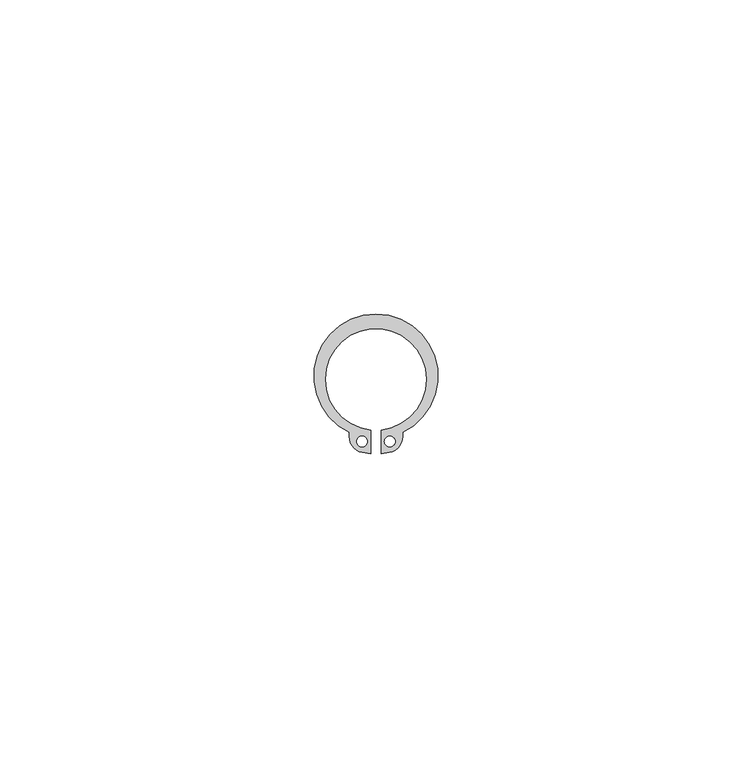
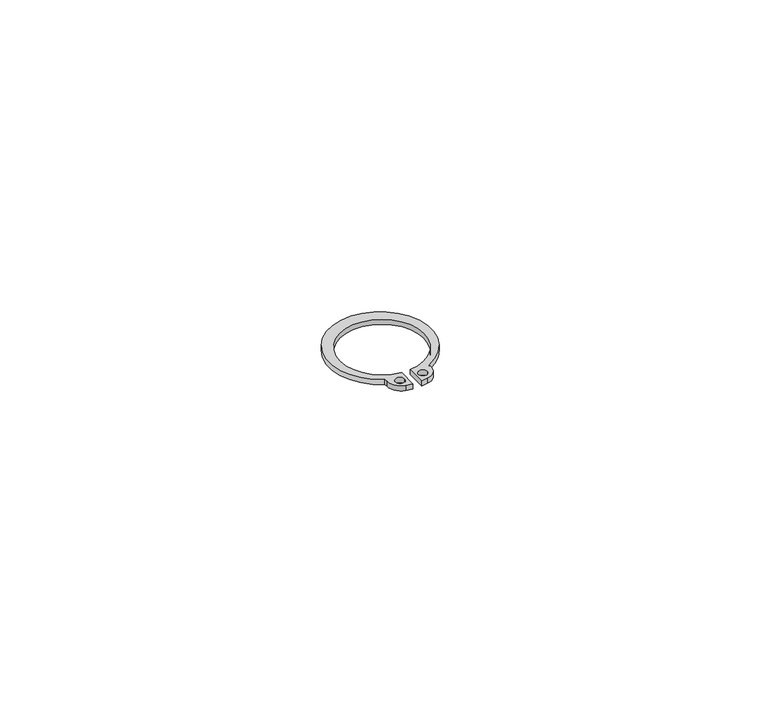
"""IFC4 building model written with IfcOpenShell, lengths in millimetres: proxy geometry."""

from ifc_helpers import new_model, si_unit, point, frame_2d, origin, origin_with_axes, origin_2d, place, context, project, spatial, polyline, circle_curve, trimmed, segment, composite_curve, outline, extrude, source, transform, mapped, element, save


def generic_models_4dbe1b5d(model_context):
    return source(origin(), model_context, "Body", "SweptSolid", [
        extrude(outline(composite_curve([segment(trimmed(circle_curve(frame_2d((1.7, -9.116062)), 2.55), [point((4.25, -9.116062))], [point((2.1428029, -11.6273217))], False, "CARTESIAN"), True, "CONTINUOUS"), segment(polyline([(2.1428029, -11.6273217), (0.85, -11.8552778), (0.85, -8.0552778)]), True, "CONTINUOUS"), segment(trimmed(circle_curve(origin_2d(), 8.1), [point((0.85, -8.0552778))], [point((-0.85, -8.0552778))], True, "CARTESIAN"), True, "CONTINUOUS"), segment(polyline([(-0.85, -8.0552778), (-0.85, -11.8552778), (-2.1428029, -11.6273217)]), True, "CONTINUOUS"), segment(trimmed(circle_curve(frame_2d((-1.7, -9.116062)), 2.55), [point((-2.1428029, -11.6273217))], [point((-4.25, -9.116062))], False, "CARTESIAN"), True, "CONTINUOUS"), segment(polyline([(-4.25, -9.116062), (-4.25, -8.4062128)]), True, "CONTINUOUS"), segment(trimmed(circle_curve(frame_2d((0.0, 0.5166667)), 9.8833333), [point((-4.25, -8.4062128))], [point((4.25, -8.4062128))], False, "CARTESIAN"), True, "CONTINUOUS"), segment(polyline([(4.25, -8.4062128), (4.25, -9.116062)]), True, "CONTINUOUS")], self_intersect=False), holes=[composite_curve([segment(trimmed(circle_curve(frame_2d((2.21, -9.8790936)), 0.85), [point((1.36, -9.8790936))], [point((3.06, -9.8790936))], True, "CARTESIAN"), True, "CONTINUOUS"), segment(trimmed(circle_curve(frame_2d((2.21, -9.8790936)), 0.85), [point((3.06, -9.8790936))], [point((1.36, -9.8790936))], True, "CARTESIAN"), True, "CONTINUOUS")], self_intersect=False), composite_curve([segment(trimmed(circle_curve(frame_2d((-2.21, -9.8790936)), 0.85), [point((-3.06, -9.8790936))], [point((-1.36, -9.8790936))], True, "CARTESIAN"), True, "CONTINUOUS"), segment(trimmed(circle_curve(frame_2d((-2.21, -9.8790936)), 0.85), [point((-1.36, -9.8790936))], [point((-3.06, -9.8790936))], True, "CARTESIAN"), True, "CONTINUOUS")], self_intersect=False)]), origin_with_axes(), (0.0, 0.0, 1.0), 1.0),
    ])


if __name__ == "__main__":
    model = new_model("IFC4")
    model_context = context("Model", 3, world=origin())
    ifc_project = project(units=[si_unit("LENGTHUNIT", "METRE", prefix="MILLI")], contexts=[model_context])
    site = spatial("IfcSite", under=ifc_project)
    building = spatial("IfcBuilding", under=site)
    placement = place(None, origin())
    generic_models_shape = generic_models_4dbe1b5d(model_context)
    element("IfcBuildingElementProxy", 1, Name="Generic Models", at=placement, inside=building, context=model_context, shape_type="MappedRepresentation", body=[
        mapped(generic_models_shape, transform((0.0, 0.0, 0.0), x_axis=(1.0, 0.0, 0.0), y_axis=(0.0, 1.0, 0.0), z_axis=(0.0, 0.0, 1.0))),
    ])
    save(model, "model.ifc")
